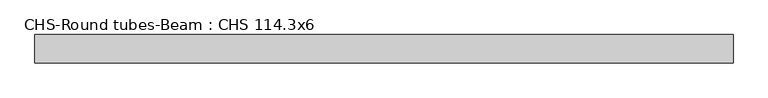
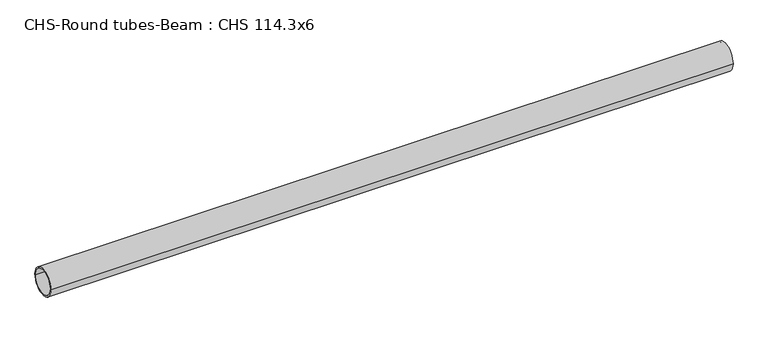
"""IFC4 building model written with IfcOpenShell, lengths in millimetres: beam geometry, CHS-Round tubes-Beam : CHS 114.3x6."""

from ifc_helpers import new_model, si_unit, point, frame, origin, origin_2d, place, context, project, spatial, circle_curve, trimmed, segment, composite_curve, outline, extrude, source, transform, mapped, element, save


def chs_round_tubes_beam_chs_114_3x6_60033ff8(model_context):
    return source(origin(), model_context, "Body", "SweptSolid", [
        extrude(outline(composite_curve([segment(trimmed(circle_curve(origin_2d(), 57.15), [point((57.15, 0.0))], [point((-57.15, 0.0))], False, "CARTESIAN"), True, "CONTINUOUS"), segment(trimmed(circle_curve(origin_2d(), 57.15), [point((-57.15, 0.0))], [point((57.15, 0.0))], False, "CARTESIAN"), True, "CONTINUOUS")], self_intersect=False), holes=[composite_curve([segment(trimmed(circle_curve(origin_2d(), 51.15), [point((51.15, 0.0))], [point((-51.15, 0.0))], True, "CARTESIAN"), True, "CONTINUOUS"), segment(trimmed(circle_curve(origin_2d(), 51.15), [point((-51.15, 0.0))], [point((51.15, 0.0))], True, "CARTESIAN"), True, "CONTINUOUS")], self_intersect=False)]), frame((-1406.3509105, 0.0, 0.0), z_axis=(1.0, 0.0, 0.0), x_axis=(0.0, 1.0, 0.0)), (0.0, 0.0, 1.0), 2824.6021566),
    ])


if __name__ == "__main__":
    model = new_model("IFC4")
    model_context = context("Model", 3, world=origin())
    ifc_project = project(units=[si_unit("LENGTHUNIT", "METRE", prefix="MILLI")], contexts=[model_context])
    site = spatial("IfcSite", under=ifc_project)
    building = spatial("IfcBuilding", under=site)
    placement = place(None, origin())
    chs_round_tubes_beam_chs_114_3x6_shape = chs_round_tubes_beam_chs_114_3x6_60033ff8(model_context)
    element("IfcBeam", 1, ObjectType="CHS-Round tubes-Beam : CHS 114.3x6", at=placement, inside=building, context=model_context, shape_type="MappedRepresentation", body=[
        mapped(chs_round_tubes_beam_chs_114_3x6_shape, transform((0.0, 0.0, 0.0), x_axis=(1.0, 0.0, 0.0), y_axis=(0.0, 1.0, 0.0), z_axis=(0.0, 0.0, 1.0))),
    ])
    save(model, "model.ifc")
